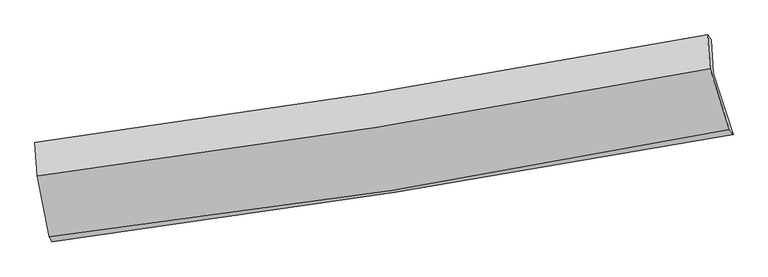
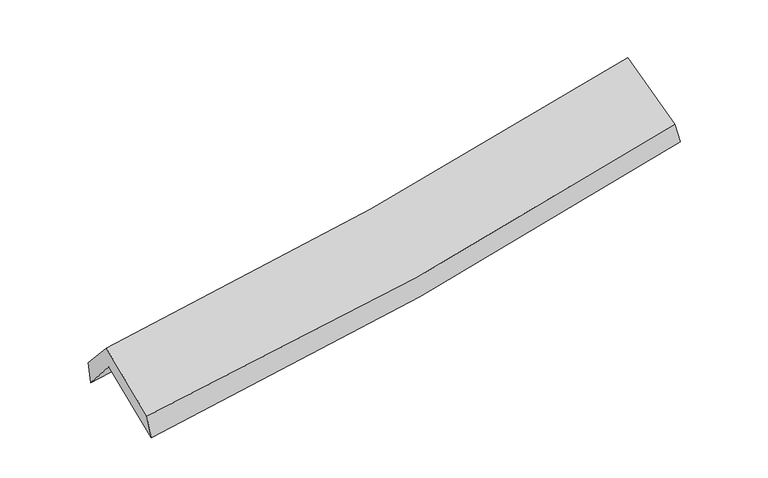
"""IFC4 building model written with IfcOpenShell, lengths in millimetres: proxy geometry."""

from ifc_helpers import new_model, si_unit, frame, origin, place, context, project, spatial, source, transform, mapped, element, save
from ifc_brep_helpers import plane_surface, spline_curve, spline_surface, advanced_brep


def generic_models_a42bda66(model_context):
    return source(origin(), model_context, "Body", "AdvancedBrep", [
        advanced_brep(
        [(-2632.7121025, -2504.9205949, 1459.1366131), (-2735.0112719, -1994.7613976, 1892.0090898), (2656.5470036, -1154.6828118, 2393.4378185), (2815.2014529, -1644.9807283, 1961.2962958), (-2751.5866544, -1729.333092, 1577.8187976), (2639.8332813, -887.0392152, 2076.6252629), (-2767.0191344, -1711.526963, 1767.511847), (2611.7926467, -848.4959193, 2233.7123889), (-2749.2656569, -1978.5789908, 2067.7772644), (2630.6519901, -1118.5804903, 2537.6522243), (-2651.6340208, -2466.4338815, 1656.699885), (2786.3785362, -1606.0650133, 2123.9449573)],
        [
            (0, 1),
            (1, 2, spline_curve(3, [(-2735.0112719, -1994.7613976, 1892.0090898), (-1828.272219257, -1881.608626589, 1947.627910768), (-924.940025532, -1754.900885653, 2017.306447562), (872.22576821, -1474.793930147, 2184.533124935), (1766.07966643, -1321.475475853, 2281.997497572), (2656.5470036, -1154.6828118, 2393.4378185)], [4, 2, 4], [0.0, 9.053076170549717, 18.07914300455251])),
            (2, 3),
            (3, 0, spline_curve(3, [(2815.2014529, -1644.9807283, 1961.2962958), (1915.605875324, -1812.497355122, 1843.180520591), (1012.498786816, -1967.828496933, 1742.312703512), (-803.451351611, -2254.548155114, 1574.822763685), (-1716.315447886, -2385.863635446, 1508.304019762), (-2632.7121025, -2504.9205949, 1459.1366131)], [4, 2, 4], [0.0, 9.026066834002792, 18.07914300455251])),
            (1, 4),
            (4, 5, spline_curve(3, [(-2751.5866544, -1729.333092, 1577.8187976), (-1844.765566541, -1617.493987574, 1634.992619627), (-941.403978971, -1491.256939097, 1705.228320129), (855.715387808, -1210.406530584, 1871.574964094), (1749.493779069, -1055.878953546, 1967.608085547), (2639.8332813, -887.0392152, 2076.6252629)], [4, 2, 4], [0.0, 9.004733748942947, 17.98260238819734])),
            (5, 2),
            (4, 6),
            (6, 7, spline_curve(3, [(-2767.0191344, -1711.526963, 1767.511847), (-1862.97028258, -1592.404202815, 1818.672318774), (-962.046563696, -1460.797502925, 1883.180551134), (830.872077407, -1173.046109083, 2038.660257352), (1722.885618744, -1016.975794714, 2129.552205842), (2611.7926467, -848.4959193, 2233.7123889)], [4, 2, 4], [0.0, 8.99459458573756, 17.962354311401853])),
            (7, 5),
            (6, 8),
            (8, 9, spline_curve(3, [(-2749.2656569, -1978.5789908, 2067.7772644), (-1844.809047701, -1863.24707741, 2123.235454641), (-943.58932404, -1733.786436795, 2190.196453043), (849.697273243, -1447.036091097, 2346.889973265), (1741.783431543, -1289.830565042, 2436.553961447), (2630.6519901, -1118.5804903, 2537.6522243)], [4, 2, 4], [0.0, 8.985331986108879, 17.943856746582327])),
            (9, 7),
            (8, 10),
            (10, 11, spline_curve(3, [(-2651.6340208, -2466.4338815, 1656.699885), (-1734.83142047, -2361.95321128, 1702.495912762), (-822.59220458, -2237.879130497, 1764.413234629), (990.051459292, -1950.972770273, 1920.257642211), (1890.483095722, -1788.257228666, 2014.088677933), (2786.3785362, -1606.0650133, 2123.9449573)], [4, 2, 4], [0.0, 9.033866971877648, 18.040781916757297])),
            (11, 9),
            (10, 0),
            (3, 11),
        ],
        [
            spline_surface(3, 3, [[(-2632.7121025, -2504.9205949, 1459.1366131), (-1716.315448022, -2385.863635548, 1508.304019856), (-803.451351508, -2254.548155166, 1574.82276366), (1012.498786713, -1967.828496881, 1742.312703537), (1915.605875303, -1812.497355062, 1843.180520691), (2815.2014529, -1644.9807283, 1961.2962958)], [(-2666.811825628, -2334.867529108, 1603.427438647), (-1753.634371787, -2217.778632538, 1654.745316828), (-843.947576197, -2087.999065363, 1722.317325008), (965.741113893, -1803.483641322, 1889.719510644), (1865.76380564, -1648.823395282, 1989.452846324), (2762.31663647, -1481.548089463, 2105.343470054)], [(-2700.911548772, -2164.814463392, 1747.718264253), (-1790.95329557, -2049.693629604, 1801.186613857), (-884.443800887, -1921.449975479, 1869.811886323), (918.983441074, -1639.138785683, 2037.126317718), (1815.921735967, -1485.149435513, 2135.725171896), (2709.43182003, -1318.115450637, 2249.390644246)], [(-2735.0112719, -1994.7613976, 1892.0090898), (-1828.272219336, -1881.608626595, 1947.627910829), (-924.940025577, -1754.900885676, 2017.306447672), (872.225768255, -1474.793930124, 2184.533124826), (1766.079666305, -1321.475475732, 2281.997497528), (2656.5470036, -1154.6828118, 2393.4378185)]], [4, 4], [4, 2, 4], [0.0, 2.223146693116996], [0.0, 9.053076170549717, 18.07914300455251]),
            spline_surface(3, 3, [[(-2735.0112719, -1994.7613976, 1892.0090898), (-1828.272219336, -1881.608626595, 1947.627910829), (-924.940025577, -1754.900885676, 2017.306447672), (872.225768255, -1474.793930124, 2184.533124826), (1766.079666305, -1321.475475732, 2281.997497528), (2656.5470036, -1154.6828118, 2393.4378185)], [(-2740.5363994, -1906.28529574, 1787.278992397), (-1833.770001694, -1793.570413563, 1843.416147063), (-930.428010053, -1667.019570104, 1913.280405089), (866.722308145, -1386.664796965, 2080.213737943), (1760.551037225, -1232.943301668, 2177.201026864), (2650.975762837, -1065.468279604, 2287.833633299)], [(-2746.0615269, -1817.80919386, 1682.548895003), (-1839.26778405, -1705.532200511, 1739.204383305), (-935.915994571, -1579.138254569, 1809.254362567), (861.218847993, -1298.535663842, 1975.894351122), (1755.022408136, -1144.411127591, 2072.4045562), (2645.404522063, -976.253747396, 2182.229448101)], [(-2751.5866544, -1729.333092, 1577.8187976), (-1844.765566408, -1617.493987479, 1634.992619539), (-941.403979047, -1491.256938998, 1705.228319983), (855.715387883, -1210.406530683, 1871.57496424), (1749.493779056, -1055.878953526, 1967.608085536), (2639.8332813, -887.0392152, 2076.6252629)]], [4, 4], [4, 2, 4], [0.0, 1.3433117974523707], [0.0, 9.004733748942947, 17.98260238819734]),
            spline_surface(3, 3, [[(-2751.5866544, -1729.333092, 1577.8187976), (-1844.765566408, -1617.493987479, 1634.992619539), (-941.403979047, -1491.256938998, 1705.228319983), (855.715387883, -1210.406530683, 1871.57496424), (1749.493779056, -1055.878953526, 1967.608085536), (2639.8332813, -887.0392152, 2076.6252629)], [(-2756.730814407, -1723.397715691, 1641.049814079), (-1850.833805113, -1609.130725966, 1696.219185974), (-948.284840575, -1481.103793622, 1764.545730353), (847.434284344, -1197.953056837, 1927.270061988), (1740.624392277, -1042.911233873, 2021.589458969), (2630.486403103, -874.191449877, 2128.987638235)], [(-2761.874974393, -1717.462339309, 1704.280830521), (-1856.902043796, -1600.76746438, 1757.445752373), (-955.165702064, -1470.950648242, 1823.863140677), (839.153180844, -1185.499582989, 1982.965159691), (1731.755005489, -1029.943514288, 2075.570832396), (2621.139524897, -861.343684623, 2181.350013565)], [(-2767.0191344, -1711.526963, 1767.511847), (-1862.970282501, -1592.404202867, 1818.672318808), (-962.046563593, -1460.797502865, 1883.180551046), (830.872077304, -1173.046109143, 2038.660257439), (1722.885618711, -1016.975794634, 2129.552205829), (2611.7926467, -848.4959193, 2233.7123889)]], [4, 4], [4, 2, 4], [0.0, 0.5816852825694011], [0.0, 8.99459458573756, 17.962354311401853]),
            spline_surface(3, 3, [[(-2767.0191344, -1711.526963, 1767.511847), (-1862.970282501, -1592.404202867, 1818.672318808), (-962.046563593, -1460.797502865, 1883.180551046), (830.872077304, -1173.046109143, 2038.660257439), (1722.885618711, -1016.975794634, 2129.552205829), (2611.7926467, -848.4959193, 2233.7123889)], [(-2761.10130857, -1800.5443056, 1867.600319455), (-1856.91653762, -1682.68516106, 1920.193364113), (-955.894150366, -1551.793814157, 1985.51918504), (837.147142577, -1264.376103142, 2141.403496032), (1729.184889622, -1107.927384781, 2231.886124397), (2618.079094485, -938.524109641, 2335.025667351)], [(-2755.18348273, -1889.5616482, 1967.688791945), (-1850.862792729, -1772.966119252, 2021.714409453), (-949.741737142, -1642.790125454, 2087.857819065), (843.422207847, -1355.706097147, 2244.146734656), (1735.484160579, -1198.878974905, 2334.220043014), (2624.365542315, -1028.552299959, 2436.338945849)], [(-2749.2656569, -1978.5789908, 2067.7772644), (-1844.809047848, -1863.247077444, 2123.235454758), (-943.589323916, -1733.786436746, 2190.196453059), (849.697273119, -1447.036091146, 2346.889973249), (1741.783431491, -1289.830565052, 2436.553961583), (2630.6519901, -1118.5804903, 2537.6522243)]], [4, 4], [4, 2, 4], [0.0, 1.3518246966361855], [0.0, 8.985331986108879, 17.943856746582327]),
            spline_surface(3, 3, [[(-2749.2656569, -1978.5789908, 2067.7772644), (-1844.809047848, -1863.247077444, 2123.235454758), (-943.589323916, -1733.786436746, 2190.196453059), (849.697273119, -1447.036091146, 2346.889973249), (1741.783431491, -1289.830565052, 2436.553961583), (2630.6519901, -1118.5804903, 2537.6522243)], [(-2716.72177819, -2141.197287697, 1930.751471264), (-1808.149838697, -2029.482455408, 1982.988940744), (-903.256950774, -1901.817334622, 2048.268713536), (896.482001841, -1615.014984226, 2204.679196289), (1791.349986223, -1455.972786259, 2295.732200404), (2682.560838813, -1281.075331313, 2399.749801981)], [(-2684.17789951, -2303.815584603, 1793.725678136), (-1771.490629574, -2195.717833381, 1842.742426739), (-862.924577673, -2069.848232503, 1906.340974004), (943.266730522, -1782.993877312, 2062.468419319), (1840.916540918, -1622.115007427, 2154.910439183), (2734.469687487, -1443.570172287, 2261.847379619)], [(-2651.6340208, -2466.4338815, 1656.699885), (-1734.831420423, -2361.953211345, 1702.495912725), (-822.592204531, -2237.879130378, 1764.413234481), (990.051459244, -1950.972770392, 1920.257642359), (1890.48309565, -1788.257228634, 2014.088678004), (2786.3785362, -1606.0650133, 2123.9449573)]], [4, 4], [4, 2, 4], [0.0, 2.2075726256069577], [0.0, 9.033866971877648, 18.040781916757297]),
            spline_surface(3, 3, [[(-2651.6340208, -2466.4338815, 1656.699885), (-1734.831420423, -2361.953211345, 1702.495912725), (-822.592204531, -2237.879130378, 1764.413234481), (990.051459244, -1950.972770392, 1920.257642359), (1890.48309565, -1788.257228634, 2014.088678004), (2786.3785362, -1606.0650133, 2123.9449573)], [(-2645.326714704, -2479.262785964, 1590.845461058), (-1728.659429627, -2369.923352743, 1637.765281794), (-816.211920205, -2243.435471962, 1701.216410875), (997.533901718, -1956.591345876, 1860.942662753), (1898.857355527, -1796.337270779, 1957.119292214), (2795.986175093, -1619.036918302, 2069.72873678)], [(-2639.019408596, -2492.091690436, 1524.991037042), (-1722.487438817, -2377.89349415, 1573.034650787), (-809.831635833, -2248.991813582, 1638.019587265), (1005.016344238, -1962.209921397, 1801.627683143), (1907.231615426, -1804.417312918, 1900.149906482), (2805.593814007, -1632.008823298, 2015.51251632)], [(-2632.7121025, -2504.9205949, 1459.1366131), (-1716.315448022, -2385.863635548, 1508.304019856), (-803.451351508, -2254.548155166, 1574.82276366), (1012.498786713, -1967.828496881, 1742.312703537), (1915.605875303, -1812.497355062, 1843.180520691), (2815.2014529, -1644.9807283, 1961.2962958)]], [4, 4], [4, 2, 4], [0.0, 0.6093016961328318], [0.0, 9.091467257532987, 18.1558106409001]),
            plane_surface(frame((2690.0674852, -1209.9740297, 2221.1114913), z_axis=(0.9708321299236208, 0.20594543946779387, 0.12276583999787334), x_axis=(0.23664417908147128, -0.7407881162897796, -0.6286751937771179))),
            plane_surface(frame((-2714.5381402, -2064.2591533, 1736.8255828), z_axis=(-0.9877155434656704, -0.14111829759972463, -0.06710909982164268), x_axis=(-0.09359661038846687, 0.19037318858514937, 0.9772398495721062))),
        ],
        [
            (0, [[1, 2, 3, 4]]),
            (1, [[5, 6, 7, -2]]),
            (2, [[8, 9, 10, -6]]),
            (3, [[11, 12, 13, -9]]),
            (4, [[14, 15, 16, -12]]),
            (5, [[17, -4, 18, -15]]),
            (6, [[-16, -18, -3, -7, -10, -13]]),
            (7, [[-17, -14, -11, -8, -5, -1]]),
        ],
    ),
    ])


if __name__ == "__main__":
    model = new_model("IFC4")
    model_context = context("Model", 3, world=origin())
    ifc_project = project(units=[si_unit("LENGTHUNIT", "METRE", prefix="MILLI")], contexts=[model_context])
    site = spatial("IfcSite", under=ifc_project)
    building = spatial("IfcBuilding", under=site)
    placement = place(None, origin())
    generic_models_shape = generic_models_a42bda66(model_context)
    element("IfcBuildingElementProxy", 1, Name="Generic Models", at=placement, inside=building, context=model_context, shape_type="MappedRepresentation", body=[
        mapped(generic_models_shape, transform((0.0, 0.0, 0.0), x_axis=(1.0, 0.0, 0.0), y_axis=(0.0, 1.0, 0.0), z_axis=(0.0, 0.0, 1.0))),
    ])
    save(model, "model.ifc")
